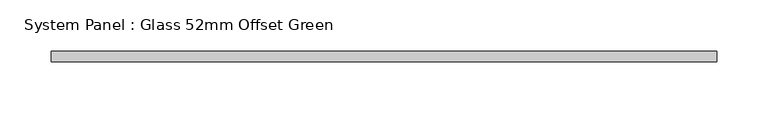
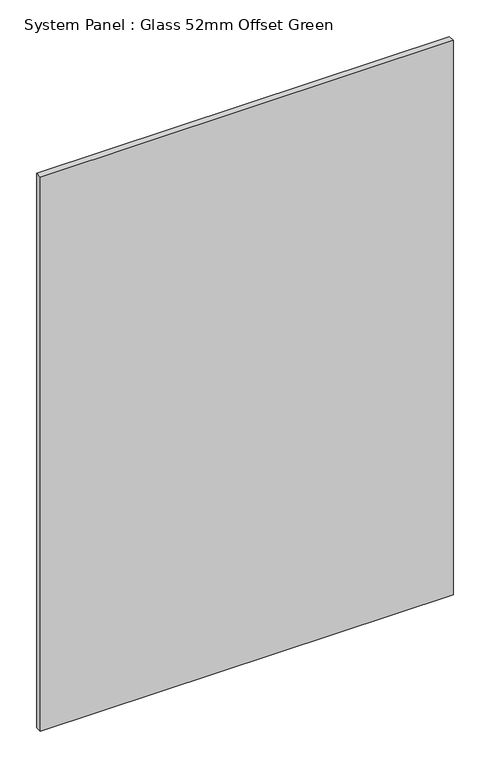
"""IFC4 building model written with IfcOpenShell, lengths in millimetres: plate geometry, System Panel : Glass 52mm Offset Green."""

from ifc_helpers import new_model, si_unit, origin, origin_with_axes, place, context, project, spatial, polyline, outline, extrude, source, transform, mapped, element, save


def system_panel_glass_52mm_offset_green_5cf44b58(model_context):
    return source(origin(), model_context, "Body", "SweptSolid", [
        extrude(outline(polyline([(324.5459541, -57.0), (-324.5459541, -57.0), (-324.5459541, -47.0), (324.5459541, -47.0), (324.5459541, -57.0)])), origin_with_axes(), (0.0, 0.0, 1.0), 921.5045338),
    ])


if __name__ == "__main__":
    model = new_model("IFC4")
    model_context = context("Model", 3, world=origin())
    ifc_project = project(units=[si_unit("LENGTHUNIT", "METRE", prefix="MILLI")], contexts=[model_context])
    site = spatial("IfcSite", under=ifc_project)
    building = spatial("IfcBuilding", under=site)
    placement = place(None, origin())
    system_panel_glass_52mm_offset_green_shape = system_panel_glass_52mm_offset_green_5cf44b58(model_context)
    element("IfcPlate", 1, ObjectType="System Panel : Glass 52mm Offset Green", at=placement, inside=building, context=model_context, shape_type="MappedRepresentation", body=[
        mapped(system_panel_glass_52mm_offset_green_shape, transform((0.0, 0.0, 0.0), x_axis=(1.0, 0.0, 0.0), y_axis=(0.0, 1.0, 0.0), z_axis=(0.0, 0.0, 1.0))),
    ])
    save(model, "model.ifc")
